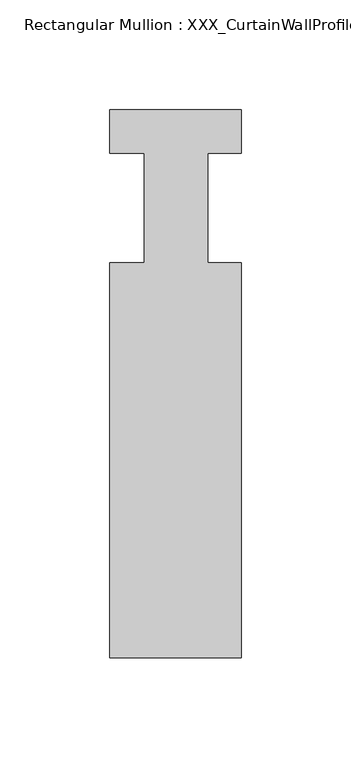
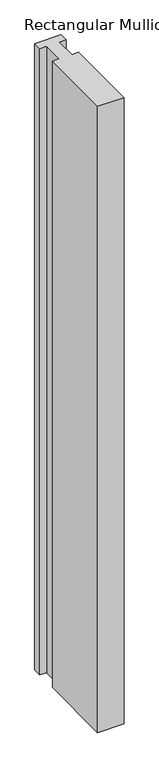
"""IFC4 building model written with IfcOpenShell, lengths in millimetres: member geometry, Rectangular Mullion : XXX_CurtainWallProfile_Ext_VerticalMullion-60x170mm."""

from ifc_helpers import new_model, si_unit, frame, origin, place, context, project, spatial, polyline, outline, extrude, source, transform, mapped, element, save


def rectangular_mullion_xxx_curtainwallprofile_ext_fc4014e5(model_context):
    return source(origin(), model_context, "Body", "SweptSolid", [
        extrude(outline(polyline([(-59.9753368, 9.6099719), (0.0, 9.6099719), (0.0, -10.2206981), (-15.3127632, -10.2206981), (-15.3127632, -60.2206981), (0.0, -60.2206981), (0.0, -240.2206971), (-59.9753368, -240.2206971), (-59.9753368, -60.2206981), (-44.1629368, -60.2206981), (-44.1629368, -10.2206981), (-59.9753368, -10.2206981), (-59.9753368, 9.6099719)])), frame((0.0, 0.0, -1516.6666667), z_axis=(0.0, 0.0, 1.0), x_axis=(1.0, 0.0, 0.0)), (0.0, 0.0, 1.0), 1516.6666667),
    ])


if __name__ == "__main__":
    model = new_model("IFC4")
    model_context = context("Model", 3, world=origin())
    ifc_project = project(units=[si_unit("LENGTHUNIT", "METRE", prefix="MILLI")], contexts=[model_context])
    site = spatial("IfcSite", under=ifc_project)
    building = spatial("IfcBuilding", under=site)
    placement = place(None, origin())
    rectangular_mullion_xxx_curtainwallprofile_ext_shape = rectangular_mullion_xxx_curtainwallprofile_ext_fc4014e5(model_context)
    element("IfcMember", 1, ObjectType="Rectangular Mullion : XXX_CurtainWallProfile_Ext_VerticalMullion-60x170mm", at=placement, inside=building, context=model_context, shape_type="MappedRepresentation", body=[
        mapped(rectangular_mullion_xxx_curtainwallprofile_ext_shape, transform((0.0, 0.0, 0.0), x_axis=(1.0, 0.0, 0.0), y_axis=(0.0, 1.0, 0.0), z_axis=(0.0, 0.0, 1.0))),
    ])
    save(model, "model.ifc")
